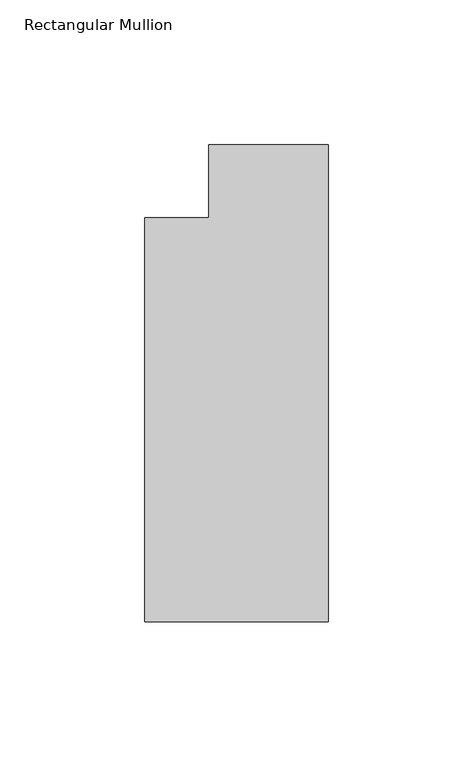
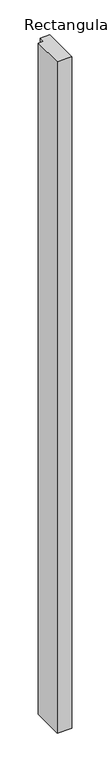
"""IFC4 building model written with IfcOpenShell, lengths in millimetres: member geometry, Rectangular Mullion."""

from ifc_helpers import new_model, si_unit, frame, origin, place, context, project, spatial, polyline, outline, extrude, source, transform, mapped, element, save


def rectangular_mullion_02cee7ec(model_context):
    return source(origin(), model_context, "Body", "SweptSolid", [
        extrude(outline(polyline([(-19.2668749, -139.9459727), (-82.7668749, -139.9459727), (-82.7668749, -0.2459777), (-60.5418749, -0.2459777), (-60.5418749, 25.1540223), (-19.2668749, 25.1540223), (-19.2668749, -139.9459727)])), frame((0.0, 0.0, -3048.0), z_axis=(0.0, 0.0, 1.0), x_axis=(1.0, 0.0, 0.0)), (0.0, 0.0, 1.0), 3048.0),
    ])


if __name__ == "__main__":
    model = new_model("IFC4")
    model_context = context("Model", 3, world=origin())
    ifc_project = project(units=[si_unit("LENGTHUNIT", "METRE", prefix="MILLI")], contexts=[model_context])
    site = spatial("IfcSite", under=ifc_project)
    building = spatial("IfcBuilding", under=site)
    placement = place(None, origin())
    rectangular_mullion_shape = rectangular_mullion_02cee7ec(model_context)
    element("IfcMember", 1, ObjectType="Rectangular Mullion", at=placement, inside=building, context=model_context, shape_type="MappedRepresentation", body=[
        mapped(rectangular_mullion_shape, transform((0.0, 0.0, 0.0), x_axis=(1.0, 0.0, 0.0), y_axis=(0.0, 1.0, 0.0), z_axis=(0.0, 0.0, 1.0))),
    ])
    save(model, "model.ifc")
